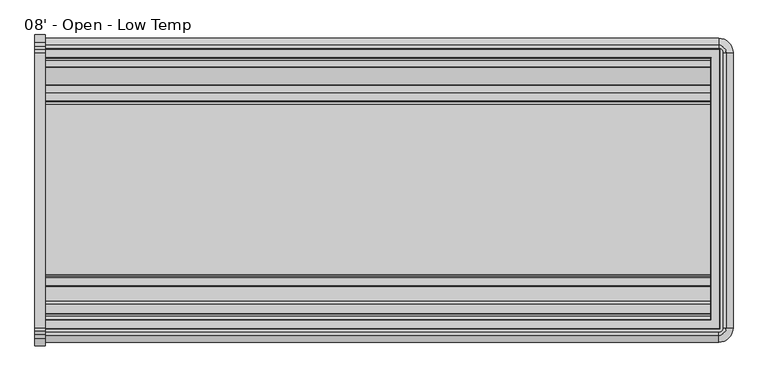
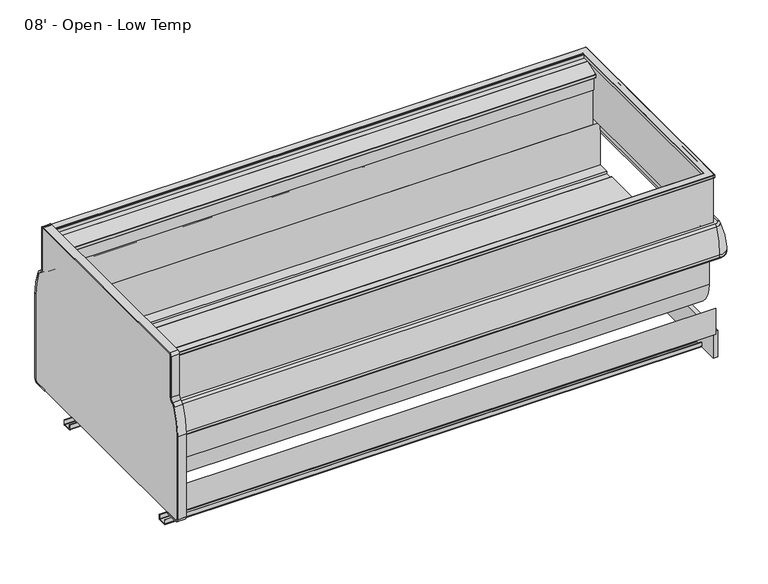
"""IFC4 building model written with IfcOpenShell, lengths in millimetres: proxy geometry, 08' - Open - Low Temp."""

from ifc_helpers import new_model, si_unit, point, frame, frame_2d, origin, place, context, project, spatial, polyline, circle_curve, ellipse_curve, trimmed, segment, composite_curve, outline, extrude, source, transform, mapped, element, save
from ifc_brep_helpers import plane_surface, cylinder_surface, revolved_surface, advanced_brep


def proxy_08_open_low_temp_4ff7e60c(model_context):
    return source(origin(), model_context, "Body", "SolidModel", [
        extrude(outline(composite_curve([segment(trimmed(circle_curve(frame_2d((-706.3089273, 750.8546562)), 311.15), [point((-395.1589273, 750.8546562))], [point((-421.4314087, 875.9910693))], True, "CARTESIAN"), True, "CONTINUOUS"), segment(trimmed(circle_curve(frame_2d((-438.8728894, 868.3296562)), 19.05), [point((-421.4314087, 875.9910693))], [point((-432.2872626, 886.2051148))], True, "CARTESIAN"), True, "CONTINUOUS"), segment(trimmed(circle_curve(frame_2d((-423.5064268, 910.0390596)), 25.4), [point((-432.2872626, 886.2051148))], [point((-448.9064268, 910.0390596))], False, "CARTESIAN"), True, "CONTINUOUS"), segment(polyline([(-448.9064268, 910.0390596), (-448.9064268, 1109.56602)]), True, "CONTINUOUS"), segment(trimmed(circle_curve(frame_2d((-455.2564268, 1109.56602)), 6.35), [point((-448.9064268, 1109.56602))], [point((-455.2564268, 1115.91602))], True, "CARTESIAN"), True, "CONTINUOUS"), segment(polyline([(-455.2564268, 1115.91602), (-1468.5364278, 1115.91602)]), True, "CONTINUOUS"), segment(trimmed(circle_curve(frame_2d((-1468.5364278, 1109.56602)), 6.35), [point((-1468.5364278, 1115.91602))], [point((-1474.8864278, 1109.56602))], True, "CARTESIAN"), True, "CONTINUOUS"), segment(polyline([(-1474.8864278, 1109.56602), (-1474.8864278, 910.0390596)]), True, "CONTINUOUS"), segment(trimmed(circle_curve(frame_2d((-1500.2864278, 910.0390596)), 25.4), [point((-1474.8864278, 910.0390596))], [point((-1491.505592, 886.2051148))], False, "CARTESIAN"), True, "CONTINUOUS"), segment(trimmed(circle_curve(frame_2d((-1484.9199652, 868.3296562)), 19.05), [point((-1491.505592, 886.2051148))], [point((-1502.3614459, 875.9910693))], True, "CARTESIAN"), True, "CONTINUOUS"), segment(trimmed(circle_curve(frame_2d((-1217.4839273, 750.8546562)), 311.15), [point((-1502.3614459, 875.9910693))], [point((-1528.6339273, 750.8546562))], True, "CARTESIAN"), True, "CONTINUOUS"), segment(polyline([(-1528.6339273, 750.8546562), (-1528.6339273, 344.70852)]), True, "CONTINUOUS"), segment(trimmed(circle_curve(frame_2d((-1515.9339273, 344.70852)), 12.7), [point((-1528.6339273, 344.70852))], [point((-1515.9339273, 332.00852))], True, "CARTESIAN"), True, "CONTINUOUS"), segment(polyline([(-1515.9339273, 332.00852), (-1455.9322513, 332.00852), (-1455.9322513, 325.65852), (-1515.9339273, 325.65852)]), True, "CONTINUOUS"), segment(trimmed(circle_curve(frame_2d((-1515.9339273, 344.70852)), 19.05), [point((-1515.9339273, 325.65852))], [point((-1534.9839273, 344.70852))], False, "CARTESIAN"), True, "CONTINUOUS"), segment(polyline([(-1534.9839273, 344.70852), (-1534.9839273, 750.8546562)]), True, "CONTINUOUS"), segment(trimmed(circle_curve(frame_2d((-1217.4839273, 750.8546562)), 317.5), [point((-1534.9839273, 750.8546562))], [point((-1508.1752729, 878.5448736))], False, "CARTESIAN"), True, "CONTINUOUS"), segment(trimmed(circle_curve(frame_2d((-1484.9199652, 868.3296562)), 25.4), [point((-1508.1752729, 878.5448736))], [point((-1493.700801, 892.163601))], False, "CARTESIAN"), True, "CONTINUOUS"), segment(trimmed(circle_curve(frame_2d((-1500.2864278, 910.0390596)), 19.05), [point((-1493.700801, 892.163601))], [point((-1481.2364278, 910.0390596))], True, "CARTESIAN"), True, "CONTINUOUS"), segment(polyline([(-1481.2364278, 910.0390596), (-1481.2364278, 1109.56602)]), True, "CONTINUOUS"), segment(trimmed(circle_curve(frame_2d((-1468.5364278, 1109.56602)), 12.7), [point((-1481.2364278, 1109.56602))], [point((-1468.5364278, 1122.26602))], False, "CARTESIAN"), True, "CONTINUOUS"), segment(polyline([(-1468.5364278, 1122.26602), (-455.2564268, 1122.26602)]), True, "CONTINUOUS"), segment(trimmed(circle_curve(frame_2d((-455.2564268, 1109.56602)), 12.7), [point((-455.2564268, 1122.26602))], [point((-442.5564268, 1109.56602))], False, "CARTESIAN"), True, "CONTINUOUS"), segment(polyline([(-442.5564268, 1109.56602), (-442.5564268, 910.0390596)]), True, "CONTINUOUS"), segment(trimmed(circle_curve(frame_2d((-423.5064268, 910.0390596)), 19.05), [point((-442.5564268, 910.0390596))], [point((-430.0920536, 892.163601))], True, "CARTESIAN"), True, "CONTINUOUS"), segment(trimmed(circle_curve(frame_2d((-438.8728894, 868.3296562)), 25.4), [point((-430.0920536, 892.163601))], [point((-415.6175817, 878.5448736))], False, "CARTESIAN"), True, "CONTINUOUS"), segment(trimmed(circle_curve(frame_2d((-706.3089273, 750.8546562)), 317.5), [point((-415.6175817, 878.5448736))], [point((-388.8089273, 750.8546562))], False, "CARTESIAN"), True, "CONTINUOUS"), segment(polyline([(-388.8089273, 750.8546562), (-388.8089273, 344.70852)]), True, "CONTINUOUS"), segment(trimmed(circle_curve(frame_2d((-407.8589273, 344.70852)), 19.05), [point((-388.8089273, 344.70852))], [point((-407.8589273, 325.65852))], False, "CARTESIAN"), True, "CONTINUOUS"), segment(polyline([(-407.8589273, 325.65852), (-466.0942513, 325.65852), (-466.0942513, 332.00852), (-407.8589273, 332.00852)]), True, "CONTINUOUS"), segment(trimmed(circle_curve(frame_2d((-407.8589273, 344.70852)), 12.7), [point((-407.8589273, 332.00852))], [point((-395.1589273, 344.70852))], True, "CARTESIAN"), True, "CONTINUOUS"), segment(polyline([(-395.1589273, 344.70852), (-395.1589273, 750.8546562)]), True, "CONTINUOUS")], self_intersect=False)), frame((-38.1, 0.0, 0.0), z_axis=(1.0, 0.0, 0.0), x_axis=(0.0, 1.0, 0.0)), (0.0, 0.0, 1.0), 38.1),
        extrude(outline(composite_curve([segment(polyline([(-395.1589273, 750.8546562), (-395.1589273, 344.70852)]), True, "CONTINUOUS"), segment(trimmed(circle_curve(frame_2d((-407.8589273, 344.70852)), 12.7), [point((-395.1589273, 344.70852))], [point((-407.8589273, 332.00852))], False, "CARTESIAN"), True, "CONTINUOUS"), segment(polyline([(-407.8589273, 332.00852), (-1515.9339273, 332.00852)]), True, "CONTINUOUS"), segment(trimmed(circle_curve(frame_2d((-1515.9339273, 344.70852)), 12.7), [point((-1515.9339273, 332.00852))], [point((-1528.6339273, 344.70852))], False, "CARTESIAN"), True, "CONTINUOUS"), segment(polyline([(-1528.6339273, 344.70852), (-1528.6339273, 750.8546562)]), True, "CONTINUOUS"), segment(trimmed(circle_curve(frame_2d((-1217.4839273, 750.8546562)), 311.15), [point((-1528.6339273, 750.8546562))], [point((-1502.3614459, 875.9910693))], False, "CARTESIAN"), True, "CONTINUOUS"), segment(trimmed(circle_curve(frame_2d((-1484.9199652, 868.3296562)), 19.05), [point((-1502.3614459, 875.9910693))], [point((-1491.505592, 886.2051148))], False, "CARTESIAN"), True, "CONTINUOUS"), segment(trimmed(circle_curve(frame_2d((-1500.2864278, 910.0390596)), 25.4), [point((-1491.505592, 886.2051148))], [point((-1474.8864278, 910.0390596))], True, "CARTESIAN"), True, "CONTINUOUS"), segment(polyline([(-1474.8864278, 910.0390596), (-1474.8864278, 1109.56602)]), True, "CONTINUOUS"), segment(trimmed(circle_curve(frame_2d((-1468.5364278, 1109.56602)), 6.35), [point((-1474.8864278, 1109.56602))], [point((-1468.5364278, 1115.91602))], False, "CARTESIAN"), True, "CONTINUOUS"), segment(polyline([(-1468.5364278, 1115.91602), (-455.2564268, 1115.91602)]), True, "CONTINUOUS"), segment(trimmed(circle_curve(frame_2d((-455.2564268, 1109.56602)), 6.35), [point((-455.2564268, 1115.91602))], [point((-448.9064268, 1109.56602))], False, "CARTESIAN"), True, "CONTINUOUS"), segment(polyline([(-448.9064268, 1109.56602), (-448.9064268, 910.0390596)]), True, "CONTINUOUS"), segment(trimmed(circle_curve(frame_2d((-423.5064268, 910.0390596)), 25.4), [point((-448.9064268, 910.0390596))], [point((-432.2872626, 886.2051148))], True, "CARTESIAN"), True, "CONTINUOUS"), segment(trimmed(circle_curve(frame_2d((-438.8728894, 868.3296562)), 19.05), [point((-432.2872626, 886.2051148))], [point((-421.4314087, 875.9910693))], False, "CARTESIAN"), True, "CONTINUOUS"), segment(trimmed(circle_curve(frame_2d((-706.3089273, 750.8546562)), 311.15), [point((-421.4314087, 875.9910693))], [point((-395.1589273, 750.8546562))], False, "CARTESIAN"), True, "CONTINUOUS")], self_intersect=False)), frame((-38.1, 0.0, 0.0), z_axis=(1.0, 0.0, 0.0), x_axis=(0.0, 1.0, 0.0)), (0.0, 0.0, 1.0), 38.1),
        extrude(outline(polyline([(2507.449374, -466.0942513), (2507.449374, -1455.9322513), (2487.3148438, -1455.9322513), (2487.3148438, -466.0942513), (2507.449374, -466.0942513)])), frame((0.0, 0.0, 202.18277), z_axis=(0.0, 0.0, 1.0), x_axis=(1.0, 0.0, 0.0)), (0.0, 0.0, 1.0), 129.82575),
        extrude(outline(composite_curve([segment(trimmed(circle_curve(frame_2d((-631.6006513, 595.49542)), 6.35), [point((-637.6294873, 593.50152))], [point((-631.6006513, 589.14542))], True, "CARTESIAN"), True, "CONTINUOUS"), segment(polyline([(-631.6006513, 589.14542), (-603.0256513, 589.14542), (-603.0256513, 586.78322), (-1312.6508513, 586.78322), (-1312.6508513, 589.14542), (-1284.0758513, 589.14542)]), True, "CONTINUOUS"), segment(trimmed(circle_curve(frame_2d((-1284.0758513, 595.49542)), 6.35), [point((-1284.0758513, 589.14542))], [point((-1278.0470154, 593.50152))], True, "CARTESIAN"), True, "CONTINUOUS"), segment(trimmed(circle_curve(frame_2d((-1272.0181794, 591.50762)), 6.35), [point((-1278.0470154, 593.50152))], [point((-1272.0181794, 597.85762))], False, "CARTESIAN"), True, "CONTINUOUS"), segment(polyline([(-1272.0181794, 597.85762), (-643.6583232, 597.85762)]), True, "CONTINUOUS"), segment(trimmed(circle_curve(frame_2d((-643.6583232, 591.50762)), 6.35), [point((-643.6583232, 597.85762))], [point((-637.6294873, 593.50152))], False, "CARTESIAN"), True, "CONTINUOUS")], self_intersect=False)), frame((0.0, 0.0, 0.0), z_axis=(1.0, 0.0, 0.0), x_axis=(0.0, 1.0, 0.0)), (0.0, 0.0, 1.0), 2487.3148438),
        extrude(outline(polyline([(-1323.1509772, 332.00852), (-1475.9703113, 332.00852), (-1475.9703113, 460.2391669), (-1323.1509772, 332.00852)])), frame((0.0, 0.0, 0.0), z_axis=(1.0, 0.0, 0.0), x_axis=(0.0, 1.0, 0.0)), (0.0, 0.0, 1.0), 2487.3148438),
        extrude(outline(composite_curve([segment(polyline([(-1320.1946513, 227.08747), (-1320.1946513, 207.33897)]), True, "CONTINUOUS"), segment(trimmed(circle_curve(frame_2d((-1325.3508513, 207.33897)), 5.1562), [point((-1320.1946513, 207.33897))], [point((-1325.3508513, 202.18277))], False, "CARTESIAN"), True, "CONTINUOUS"), segment(polyline([(-1325.3508513, 202.18277), (-1360.5361197, 202.18277)]), True, "CONTINUOUS"), segment(trimmed(circle_curve(frame_2d((-1360.5361197, 207.33897)), 5.1562), [point((-1360.5361197, 202.18277))], [point((-1365.6923197, 207.33897))], False, "CARTESIAN"), True, "CONTINUOUS"), segment(polyline([(-1365.6923197, 207.33897), (-1365.6923197, 227.07477), (-1362.6507513, 227.07477), (-1362.6507513, 207.33897)]), True, "CONTINUOUS"), segment(trimmed(circle_curve(frame_2d((-1360.2631513, 207.33897)), 2.3876), [point((-1362.6507513, 207.33897))], [point((-1360.2631513, 204.95137))], True, "CARTESIAN"), True, "CONTINUOUS"), segment(polyline([(-1360.2631513, 204.95137), (-1325.3508513, 204.95137)]), True, "CONTINUOUS"), segment(trimmed(circle_curve(frame_2d((-1325.3508513, 207.33897)), 2.3876), [point((-1325.3508513, 204.95137))], [point((-1322.9632513, 207.33897))], True, "CARTESIAN"), True, "CONTINUOUS"), segment(polyline([(-1322.9632513, 207.33897), (-1322.9632513, 227.08747), (-1320.1946513, 227.08747)]), True, "CONTINUOUS")], self_intersect=False)), frame((0.0, 0.0, 0.0), z_axis=(1.0, 0.0, 0.0), x_axis=(0.0, 1.0, 0.0)), (0.0, 0.0, 1.0), 2487.3148438),
        extrude(outline(composite_curve([segment(polyline([(-601.8318513, 227.08747), (-599.0632513, 227.08747), (-599.0632513, 207.33897)]), True, "CONTINUOUS"), segment(trimmed(circle_curve(frame_2d((-596.6756513, 207.33897)), 2.3876), [point((-599.0632513, 207.33897))], [point((-596.6756513, 204.95137))], True, "CARTESIAN"), True, "CONTINUOUS"), segment(polyline([(-596.6756513, 204.95137), (-561.7633513, 204.95137)]), True, "CONTINUOUS"), segment(trimmed(circle_curve(frame_2d((-561.7633513, 207.33897)), 2.3876), [point((-561.7633513, 204.95137))], [point((-559.3757513, 207.33897))], True, "CARTESIAN"), True, "CONTINUOUS"), segment(polyline([(-559.3757513, 207.33897), (-559.3757513, 227.07477), (-556.6071513, 227.07477), (-556.6071513, 207.33897)]), True, "CONTINUOUS"), segment(trimmed(circle_curve(frame_2d((-561.7633513, 207.33897)), 5.1562), [point((-556.6071513, 207.33897))], [point((-561.7633513, 202.18277))], False, "CARTESIAN"), True, "CONTINUOUS"), segment(polyline([(-561.7633513, 202.18277), (-596.6756513, 202.18277)]), True, "CONTINUOUS"), segment(trimmed(circle_curve(frame_2d((-596.6756513, 207.33897)), 5.1562), [point((-596.6756513, 202.18277))], [point((-601.8318513, 207.33897))], False, "CARTESIAN"), True, "CONTINUOUS"), segment(polyline([(-601.8318513, 207.33897), (-601.8318513, 227.08747)]), True, "CONTINUOUS")], self_intersect=False)), frame((0.0, 0.0, 0.0), z_axis=(1.0, 0.0, 0.0), x_axis=(0.0, 1.0, 0.0)), (0.0, 0.0, 1.0), 2487.3148438),
        extrude(outline(polyline([(2452.8859375, -535.8055412), (2452.8859375, -559.6180412), (0.0, -559.6180412), (0.0, -535.8055412), (2452.8859375, -535.8055412)])), frame((0.0, 0.0, 986.69352), z_axis=(0.0, 0.0, 1.0), x_axis=(1.0, 0.0, 0.0)), (0.0, 0.0, 1.0), 76.2),
        extrude(outline(composite_curve([segment(polyline([(-559.6180412, 1062.89352), (-559.6180412, 1051.0452374), (-571.7875237, 1051.0452374)]), True, "CONTINUOUS"), segment(trimmed(circle_curve(frame_2d((-571.7875237, 1053.3566374)), 2.3114), [point((-571.7875237, 1051.0452374))], [point((-574.0989237, 1053.3566374))], False, "CARTESIAN"), True, "CONTINUOUS"), segment(polyline([(-574.0989237, 1053.3566374), (-574.0989237, 1067.7909777)]), True, "CONTINUOUS"), segment(trimmed(circle_curve(frame_2d((-571.7875237, 1067.7909777)), 2.3114), [point((-574.0989237, 1067.7909777))], [point((-572.578069, 1069.9629832))], False, "CARTESIAN"), True, "CONTINUOUS"), segment(polyline([(-572.578069, 1069.9629832), (-507.7688069, 1093.5516255)]), True, "CONTINUOUS"), segment(trimmed(circle_curve(frame_2d((-506.9782615, 1091.37962)), 2.3114), [point((-507.7688069, 1093.5516255))], [point((-506.9782615, 1093.69102))], False, "CARTESIAN"), True, "CONTINUOUS"), segment(polyline([(-506.9782615, 1093.69102), (-482.2433533, 1093.69102), (-482.2433533, 840.41492), (-498.2829273, 840.41492), (-498.2829273, 808.60777), (-549.0765773, 808.60777), (-549.0765773, 986.69352), (-535.8055412, 986.69352), (-535.8055412, 1062.89352), (-559.6180412, 1062.89352)]), True, "CONTINUOUS")], self_intersect=False)), frame((0.0, 0.0, 0.0), z_axis=(1.0, 0.0, 0.0), x_axis=(0.0, 1.0, 0.0)), (0.0, 0.0, 1.0), 2452.8859375),
        extrude(outline(composite_curve([segment(trimmed(circle_curve(frame_2d((-1417.1508503, 841.4633151)), 1.0483951), [point((-1417.1508503, 840.41492))], [point((-1418.1992454, 841.4633151))], False, "CARTESIAN"), True, "CONTINUOUS"), segment(polyline([(-1418.1992454, 841.4633151), (-1418.1992454, 861.3823037)]), True, "CONTINUOUS"), segment(trimmed(circle_curve(frame_2d((-1416.8146291, 861.3823037)), 1.3846163), [point((-1418.1992454, 861.3823037))], [point((-1416.8146291, 862.76692))], False, "CARTESIAN"), True, "CONTINUOUS"), segment(polyline([(-1416.8146291, 862.76692), (-1380.8816013, 862.76692), (-1380.8816013, 840.41492), (-1417.1508503, 840.41492)]), True, "CONTINUOUS")], self_intersect=False)), frame((0.0, 0.0, 0.0), z_axis=(1.0, 0.0, 0.0), x_axis=(0.0, 1.0, 0.0)), (0.0, 0.0, 1.0), 2452.8859375),
        extrude(outline(polyline([(2452.8859375, -1371.3566013), (2452.8859375, -1380.8816013), (0.0, -1380.8816013), (0.0, -1371.3566013), (2452.8859375, -1371.3566013)])), frame((0.0, 0.0, 830.58512), z_axis=(0.0, 0.0, 1.0), x_axis=(1.0, 0.0, 0.0)), (0.0, 0.0, 1.0), 156.1084),
        extrude(outline(composite_curve([segment(polyline([(-498.2829273, 808.60777), (-498.2829273, 567.7232408)]), True, "CONTINUOUS"), segment(trimmed(circle_curve(frame_2d((-650.6829273, 567.7232408)), 152.4), [point((-498.2829273, 567.7232408))], [point((-645.364244, 415.4160788))], False, "CARTESIAN"), True, "CONTINUOUS"), segment(polyline([(-645.364244, 415.4160788), (-1266.4759331, 393.268902)]), True, "CONTINUOUS"), segment(trimmed(circle_curve(frame_2d((-1271.9033854, 545.4803582)), 152.3081897), [point((-1266.4759331, 393.268902))], [point((-1424.2105725, 546.0329855))], False, "CARTESIAN"), True, "CONTINUOUS"), segment(polyline([(-1424.2105725, 546.0329855), (-1424.2105725, 840.41492), (-1380.8816013, 840.41492), (-1380.8816013, 830.58512), (-1371.3566013, 830.58512), (-1371.3566013, 599.8346341), (-1319.1220273, 599.8346341), (-1319.1220273, 582.1562341), (-602.2578273, 582.1562341), (-602.2578273, 599.34352), (-549.0765773, 599.34352), (-549.0765773, 808.60777), (-498.2829273, 808.60777)]), True, "CONTINUOUS")], self_intersect=False)), frame((0.0, 0.0, 0.0), z_axis=(1.0, 0.0, 0.0), x_axis=(0.0, 1.0, 0.0)), (0.0, 0.0, 1.0), 2487.3148438),
        advanced_brep(
        [(0.0, -1468.5687513, 1099.2231802), (0.0, -1469.9408252, 1096.6426846), (0.0, -1472.8095089, 1097.3049725), (0.0, -1473.2477185, 1109.8536533), (0.0, -1470.9377266, 1112.24572), (0.0, -1441.7098388, 1112.24572), (0.0, -1439.3984388, 1109.93432), (0.0, -1439.3984388, 1097.94552), (0.0, -1441.5812513, 1097.94552), (0.0, -1441.5812513, 1108.82942), (0.0, -1468.5687513, 1108.82942), (0.0, -446.0758361, 1099.2231802), (0.0, -446.0758361, 1108.82942), (0.0, -473.0633361, 1108.82942), (0.0, -473.0633361, 1097.94552), (0.0, -475.2461486, 1097.94552), (0.0, -475.2461486, 1109.93432), (0.0, -472.9347486, 1112.24572), (0.0, -443.7068608, 1112.24572), (0.0, -441.3968689, 1109.8536533), (0.0, -441.8350785, 1097.3049725), (0.0, -444.7037622, 1096.6426846), (2479.934824, -446.0758361, 1099.2231802), (2479.934824, -446.0758361, 1108.82942), (2479.934824, -1468.5687513, 1108.82942), (2452.947324, -1441.5812513, 1108.82942), (2452.947324, -473.0633361, 1108.82942), (2452.947324, -473.0633361, 1097.94552), (2452.947324, -1441.5812513, 1097.94552), (2450.7645115, -1439.3984388, 1097.94552), (2450.7645115, -475.2461486, 1097.94552), (2450.7645115, -475.2461486, 1109.93432), (2453.0759115, -472.9347486, 1112.24572), (2453.0759115, -1441.7098388, 1112.24572), (2482.3037993, -1470.9377266, 1112.24572), (2482.3037993, -443.7068608, 1112.24572), (2484.6137912, -441.3968689, 1109.8536533), (2484.1755816, -441.8350785, 1097.3049725), (2481.3068979, -444.7037622, 1096.6426846), (2479.934824, -1468.5687513, 1099.2231802), (2450.7645115, -1439.3984388, 1109.93432), (2484.6137912, -1473.2477185, 1109.8536533), (2484.1755816, -1472.8095089, 1097.3049725), (2481.3068979, -1469.9408252, 1096.6426846)],
        [
            (0, 1),
            (1, 2, circle_curve(frame((0.0, -1471.2864373, 1097.3581593), z_axis=(-1.0, 0.0, 0.0), x_axis=(0.0, -1.0, 0.0)), 1.524)),
            (2, 3),
            (3, 4, circle_curve(frame((0.0, -1470.9377266, 1109.93432), z_axis=(-1.0, 0.0, 0.0), x_axis=(0.0, -1.0, 0.0)), 2.3114)),
            (4, 5),
            (5, 6, circle_curve(frame((0.0, -1441.7098388, 1109.93432), z_axis=(-1.0, 0.0, 0.0), x_axis=(0.0, -1.0, 0.0)), 2.3114)),
            (6, 7),
            (7, 8),
            (8, 9),
            (9, 10),
            (10, 0),
            (11, 12),
            (12, 13),
            (13, 14),
            (14, 15),
            (15, 16),
            (16, 17, circle_curve(frame((0.0, -472.9347486, 1109.93432), z_axis=(-1.0, 0.0, 0.0), x_axis=(0.0, 1.0, 0.0)), 2.3114)),
            (17, 18),
            (18, 19, circle_curve(frame((0.0, -443.7068608, 1109.93432), z_axis=(-1.0, 0.0, 0.0), x_axis=(0.0, 1.0, 0.0)), 2.3114)),
            (19, 20),
            (20, 21, circle_curve(frame((0.0, -443.3581501, 1097.3581593), z_axis=(-1.0, 0.0, 0.0), x_axis=(0.0, 1.0, 0.0)), 1.524)),
            (21, 11),
            (11, 22),
            (22, 23),
            (23, 12),
            (23, 24),
            (24, 10),
            (9, 25),
            (25, 26),
            (26, 13),
            (26, 27),
            (27, 14),
            (27, 28),
            (28, 8),
            (7, 29),
            (29, 30),
            (30, 15),
            (30, 31),
            (31, 16),
            (31, 32, ellipse_curve(frame((2453.0759115, -472.9347486, 1109.93432), z_axis=(-0.7071067811865475, 0.7071067811865475, 0.0), x_axis=(-0.7071067811865476, -0.7071067811865474, 0.0)), 3.2688132, 2.3114)),
            (32, 17),
            (32, 33),
            (33, 5),
            (4, 34),
            (34, 35),
            (35, 18),
            (35, 36, ellipse_curve(frame((2482.3037993, -443.7068608, 1109.93432), z_axis=(-0.7071067811865475, 0.7071067811865475, 0.0), x_axis=(-0.7071067811865476, -0.7071067811865474, 0.0)), 3.2688132, 2.3114)),
            (36, 19),
            (36, 37),
            (37, 20),
            (37, 38, ellipse_curve(frame((2482.65251, -443.3581501, 1097.3581593), z_axis=(-0.7071067811865475, 0.7071067811865475, 0.0), x_axis=(-0.7071067811865476, -0.7071067811865474, 0.0)), 2.1552615, 1.524)),
            (38, 21),
            (38, 22),
            (22, 39),
            (39, 24),
            (25, 28),
            (29, 40),
            (40, 31),
            (40, 33, ellipse_curve(frame((2453.0759115, -1441.7098388, 1109.93432), z_axis=(0.7071067811865475, 0.7071067811865475, 0.0), x_axis=(-0.7071067811865474, 0.7071067811865476, 0.0)), 3.2688132, 2.3114)),
            (34, 41, ellipse_curve(frame((2482.3037993, -1470.9377266, 1109.93432), z_axis=(0.7071067811865475, 0.7071067811865475, 0.0), x_axis=(-0.7071067811865474, 0.7071067811865476, 0.0)), 3.2688132, 2.3114)),
            (41, 36),
            (41, 42),
            (42, 37),
            (42, 43, ellipse_curve(frame((2482.65251, -1471.2864373, 1097.3581593), z_axis=(0.7071067811865475, 0.7071067811865475, 0.0), x_axis=(-0.7071067811865474, 0.7071067811865476, 0.0)), 2.1552615, 1.524)),
            (43, 38),
            (43, 39),
            (39, 0),
            (6, 40),
            (3, 41),
            (2, 42),
            (1, 43),
        ],
        [
            plane_surface(frame((0.0, -1522.2839273, 844.55), z_axis=(-1.0, 0.0, 0.0), x_axis=(0.0, 0.0, 1.0))),
            plane_surface(frame((0.0, -392.3606601, 844.55), z_axis=(-1.0, 0.0, 0.0), x_axis=(0.0, 0.0, 1.0))),
            plane_surface(frame((0.0, -446.0758361, 1099.2231802), z_axis=(0.0, -1.0, 0.0), x_axis=(1.0, 0.0, 0.0))),
            plane_surface(frame((0.0, -446.0758361, 1108.82942), z_axis=(0.0, 0.0, -1.0), x_axis=(1.0, 0.0, 0.0))),
            plane_surface(frame((0.0, -473.0633361, 1108.82942), z_axis=(0.0, 1.0, 0.0), x_axis=(1.0, 0.0, 0.0))),
            plane_surface(frame((0.0, -473.0633361, 1097.94552), z_axis=(0.0, 0.0, -1.0), x_axis=(1.0, 0.0, 0.0))),
            plane_surface(frame((0.0, -475.2461486, 1097.94552), z_axis=(0.0, -1.0, 0.0), x_axis=(1.0, 0.0, 0.0))),
            cylinder_surface(frame((0.0, -472.9347486, 1109.93432), z_axis=(-1.0, 0.0, 0.0), x_axis=(0.0, 1.0, 0.0)), 2.3114),
            plane_surface(frame((0.0, -472.9347486, 1112.24572), z_axis=(0.0, 0.0, 1.0), x_axis=(1.0, 0.0, 0.0))),
            cylinder_surface(frame((0.0, -443.7068608, 1109.93432), z_axis=(-1.0, 0.0, 0.0), x_axis=(0.0, 1.0, 0.0)), 2.3114),
            plane_surface(frame((0.0, -441.3968689, 1109.8536533), z_axis=(0.0, 0.9993908270194976, -0.03489949669099775), x_axis=(1.0, 0.0, 0.0))),
            cylinder_surface(frame((0.0, -443.3581501, 1097.3581593), z_axis=(-1.0, 0.0, 0.0), x_axis=(0.0, 1.0, 0.0)), 1.524),
            plane_surface(frame((0.0, -444.7037622, 1096.6426846), z_axis=(0.0, -0.8829475928207327, -0.469471562857724), x_axis=(1.0, 0.0, 0.0))),
            plane_surface(frame((2479.934824, -446.0758361, 1099.2231802), z_axis=(-1.0, 0.0, 0.0), x_axis=(0.0, -1.0, 0.0))),
            plane_surface(frame((2452.947324, -473.0633361, 1108.82942), z_axis=(1.0, 0.0, 0.0), x_axis=(0.0, -1.0, 0.0))),
            plane_surface(frame((2450.7645115, -475.2461486, 1097.94552), z_axis=(-1.0, 0.0, 0.0), x_axis=(0.0, -1.0, 0.0))),
            cylinder_surface(frame((2453.0759115, -392.3606601, 1109.93432), z_axis=(0.0, 1.0, 0.0), x_axis=(1.0, 0.0, 0.0)), 2.3114),
            cylinder_surface(frame((2482.3037993, -392.3606601, 1109.93432), z_axis=(0.0, 1.0, 0.0), x_axis=(1.0, 0.0, 0.0)), 2.3114),
            plane_surface(frame((2484.6137912, -441.3968689, 1109.8536533), z_axis=(0.9993908270194976, 0.0, -0.03489949669099775), x_axis=(0.0, -1.0, 0.0))),
            cylinder_surface(frame((2482.65251, -392.3606601, 1097.3581593), z_axis=(0.0, 1.0, 0.0), x_axis=(1.0, 0.0, 0.0)), 1.524),
            plane_surface(frame((2481.3068979, -444.7037622, 1096.6426846), z_axis=(-0.8829475928207327, 0.0, -0.469471562857724), x_axis=(0.0, -1.0, 0.0))),
            plane_surface(frame((2479.934824, -1468.5687513, 1099.2231802), z_axis=(0.0, 1.0, 0.0), x_axis=(-1.0, 0.0, 0.0))),
            plane_surface(frame((2452.947324, -1441.5812513, 1108.82942), z_axis=(0.0, -1.0, 0.0), x_axis=(-1.0, 0.0, 0.0))),
            plane_surface(frame((2450.7645115, -1439.3984388, 1097.94552), z_axis=(0.0, 1.0, 0.0), x_axis=(-1.0, 0.0, 0.0))),
            cylinder_surface(frame((2533.65, -1441.7098388, 1109.93432), z_axis=(1.0, 0.0, 0.0), x_axis=(0.0, -1.0, 0.0)), 2.3114),
            cylinder_surface(frame((2533.65, -1470.9377266, 1109.93432), z_axis=(1.0, 0.0, 0.0), x_axis=(0.0, -1.0, 0.0)), 2.3114),
            plane_surface(frame((2484.6137912, -1473.2477185, 1109.8536533), z_axis=(0.0, -0.9993908270194976, -0.03489949669099775), x_axis=(-1.0, 0.0, 0.0))),
            cylinder_surface(frame((2533.65, -1471.2864373, 1097.3581593), z_axis=(1.0, 0.0, 0.0), x_axis=(0.0, -1.0, 0.0)), 1.524),
            plane_surface(frame((2481.3068979, -1469.9408252, 1096.6426846), z_axis=(0.0, 0.8829475928207327, -0.469471562857724), x_axis=(-1.0, 0.0, 0.0))),
        ],
        [
            (0, [[1, 2, 3, 4, 5, 6, 7, 8, 9, 10, 11]]),
            (1, [[12, 13, 14, 15, 16, 17, 18, 19, 20, 21, 22]]),
            (2, [[-12, 23, 24, 25]]),
            (3, [[-13, -25, 26, 27, -10, 28, 29, 30]]),
            (4, [[-14, -30, 31, 32]]),
            (5, [[-15, -32, 33, 34, -8, 35, 36, 37]]),
            (6, [[-16, -37, 38, 39]]),
            (7, [[-17, -39, 40, 41]]),
            (8, [[-18, -41, 42, 43, -5, 44, 45, 46]]),
            (9, [[-19, -46, 47, 48]]),
            (10, [[-20, -48, 49, 50]]),
            (11, [[-21, -50, 51, 52]]),
            (12, [[-22, -52, 53, -23]]),
            (13, [[-24, 54, 55, -26]]),
            (14, [[-31, -29, 56, -33]]),
            (15, [[-38, -36, 57, 58]]),
            (16, [[-40, -58, 59, -42]]),
            (17, [[-47, -45, 60, 61]]),
            (18, [[-49, -61, 62, 63]]),
            (19, [[-51, -63, 64, 65]]),
            (20, [[-53, -65, 66, -54]]),
            (21, [[-55, 67, -11, -27]]),
            (22, [[-56, -28, -9, -34]]),
            (23, [[-57, -35, -7, 68]]),
            (24, [[-59, -68, -6, -43]]),
            (25, [[-60, -44, -4, 69]]),
            (26, [[-62, -69, -3, 70]]),
            (27, [[-64, -70, -2, 71]]),
            (28, [[-66, -71, -1, -67]]),
        ],
    ),
        extrude(outline(polyline([(0.0, -482.2433533), (0.0, -455.2564268), (2479.9025005, -455.2564268), (2479.9025005, -1468.5364278), (0.0, -1468.5364278), (0.0, -1441.5495013), (2452.915574, -1441.5495013), (2452.915574, -482.2433533), (0.0, -482.2433533)])), frame((0.0, 0.0, 840.41492), z_axis=(0.0, 0.0, 1.0), x_axis=(1.0, 0.0, 0.0)), (0.0, 0.0, 1.0), 268.4145),
        advanced_brep(
        [(0.0, -438.8728894, 881.0296562), (0.0, -452.8208821, 881.0296562), (2480.31, -452.8208821, 881.0296562), (2482.3380452, -454.8489273, 881.0296562), (2482.3380452, -1468.9439273, 881.0296562), (2480.31, -1470.9719725, 881.0296562), (0.0, -1470.9719725, 881.0296562), (0.0, -1484.9199652, 881.0296562), (2480.31, -1484.9199652, 881.0296562), (2496.2860379, -1468.9439273, 881.0296562), (2496.2860379, -454.8489273, 881.0296562), (2480.31, -438.8728894, 881.0296562), (0.0, -427.2452356, 873.4372649), (2480.31, -427.2452356, 873.4372649), (0.0, -401.5089273, 750.8546562), (2480.31, -401.5089273, 750.8546562), (0.0, -401.5089273, 739.0203101), (2480.31, -401.5089273, 739.0203101), (0.0, -405.6318205, 733.6472511), (2480.31, -405.6318205, 733.6472511), (0.0, -412.7928603, 731.7284562), (2480.31, -412.7928603, 731.7284562), (0.0, -427.7095533, 731.7284562), (2522.366067, -454.8489273, 731.7284562), (2522.366067, -1468.9439273, 731.7284562), (2480.31, -1510.9999943, 731.7284562), (0.0, -1510.9999943, 731.7284562), (0.0, -1496.0833013, 731.7284562), (2480.31, -1496.0833013, 731.7284562), (2507.449374, -1468.9439273, 731.7284562), (2507.449374, -454.8489273, 731.7284562), (2480.31, -427.7095533, 731.7284562), (2507.9136917, -454.8489273, 873.4372649), (2533.65, -454.8489273, 750.8546562), (2533.65, -454.8489273, 739.0203101), (2529.5271068, -454.8489273, 733.6472511), (2507.9136917, -1468.9439273, 873.4372649), (2533.65, -1468.9439273, 750.8546562), (2533.65, -1468.9439273, 739.0203101), (2529.5271068, -1468.9439273, 733.6472511), (2480.31, -1496.547619, 873.4372649), (2480.31, -1522.2839273, 750.8546562), (2480.31, -1522.2839273, 739.0203101), (2480.31, -1518.1610341, 733.6472511), (0.0, -1470.9719725, 840.41492), (0.0, -1475.9703113, 840.41492), (0.0, -1475.9703113, 773.39702), (0.0, -1496.0833013, 773.39702), (0.0, -1518.1610341, 733.6472511), (0.0, -1522.2839273, 739.0203101), (0.0, -1522.2839273, 750.8546562), (0.0, -1496.547619, 873.4372649), (0.0, -427.7095533, 773.39702), (0.0, -447.8225433, 773.39702), (0.0, -447.8225433, 840.41492), (0.0, -452.8208821, 840.41492), (2480.31, -427.7095533, 773.39702), (2507.449374, -454.8489273, 773.39702), (2507.449374, -1468.9439273, 773.39702), (2480.31, -1496.0833013, 773.39702), (2480.31, -1475.9703113, 773.39702), (2487.336384, -1468.9439273, 773.39702), (2487.336384, -454.8489273, 773.39702), (2480.31, -447.8225433, 773.39702), (2480.31, -447.8225433, 840.41492), (2487.336384, -454.8489273, 840.41492), (2487.336384, -1468.9439273, 840.41492), (2480.31, -1475.9703113, 840.41492), (2480.31, -1470.9719725, 840.41492), (2482.3380452, -1468.9439273, 840.41492), (2482.3380452, -454.8489273, 840.41492), (2480.31, -452.8208821, 840.41492)],
        [
            (0, 1),
            (1, 2),
            (2, 3, circle_curve(frame((2480.31, -454.8489273, 881.0296562), z_axis=(0.0, 0.0, -1.0), x_axis=(0.0, 1.0, 0.0)), 2.0280452)),
            (3, 4),
            (4, 5, circle_curve(frame((2480.31, -1468.9439273, 881.0296562), z_axis=(0.0, 0.0, -1.0), x_axis=(1.0, 0.0, 0.0)), 2.0280452)),
            (5, 6),
            (6, 7),
            (7, 8),
            (8, 9, circle_curve(frame((2480.31, -1468.9439273, 881.0296562), z_axis=(0.0, 0.0, 1.0), x_axis=(1.0, 0.0, 0.0)), 15.9760379)),
            (9, 10),
            (10, 11, circle_curve(frame((2480.31, -454.8489273, 881.0296562), z_axis=(0.0, 0.0, 1.0), x_axis=(0.0, 1.0, 0.0)), 15.9760379)),
            (11, 0),
            (12, 0, circle_curve(frame((0.0, -438.8728894, 868.3296562), z_axis=(1.0, 0.0, 0.0), x_axis=(0.0, 1.0, 0.0)), 12.7)),
            (11, 13, circle_curve(frame((2480.31, -438.8728894, 868.3296562), z_axis=(-1.0, 0.0, 0.0), x_axis=(0.0, 1.0, 0.0)), 12.7)),
            (13, 12),
            (14, 12, circle_curve(frame((0.0, -706.3089273, 750.8546562), z_axis=(1.0, 0.0, 0.0), x_axis=(0.0, 1.0, 0.0)), 304.8)),
            (13, 15, circle_curve(frame((2480.31, -706.3089273, 750.8546562), z_axis=(-1.0, 0.0, 0.0), x_axis=(0.0, 1.0, 0.0)), 304.8)),
            (15, 14),
            (16, 14),
            (15, 17),
            (17, 16),
            (18, 16, circle_curve(frame((0.0, -407.0715273, 739.0203101), z_axis=(1.0, 0.0, 0.0), x_axis=(0.0, 1.0, 0.0)), 5.5626)),
            (17, 19, circle_curve(frame((2480.31, -407.0715273, 739.0203101), z_axis=(-1.0, 0.0, 0.0), x_axis=(0.0, 1.0, 0.0)), 5.5626)),
            (19, 18),
            (20, 18),
            (19, 21),
            (21, 20),
            (22, 20),
            (21, 23, circle_curve(frame((2480.31, -454.8489273, 731.7284562), z_axis=(0.0, 0.0, -1.0), x_axis=(0.0, 1.0, 0.0)), 42.056067)),
            (23, 24),
            (24, 25, circle_curve(frame((2480.31, -1468.9439273, 731.7284562), z_axis=(0.0, 0.0, -1.0), x_axis=(1.0, 0.0, 0.0)), 42.056067)),
            (25, 26),
            (26, 27),
            (27, 28),
            (28, 29, circle_curve(frame((2480.31, -1468.9439273, 731.7284562), z_axis=(0.0, 0.0, 1.0), x_axis=(1.0, 0.0, 0.0)), 27.139374)),
            (29, 30),
            (30, 31, circle_curve(frame((2480.31, -454.8489273, 731.7284562), z_axis=(0.0, 0.0, 1.0), x_axis=(0.0, 1.0, 0.0)), 27.139374)),
            (31, 22),
            (32, 13, circle_curve(frame((2480.31, -454.8489273, 873.4372649), z_axis=(0.0, 0.0, 1.0), x_axis=(0.0, 1.0, 0.0)), 27.6036917)),
            (10, 32, circle_curve(frame((2496.2860379, -454.8489273, 868.3296562), z_axis=(0.0, 1.0, 0.0), x_axis=(1.0, 0.0, 0.0)), 12.7)),
            (33, 15, circle_curve(frame((2480.31, -454.8489273, 750.8546562), z_axis=(0.0, 0.0, 1.0), x_axis=(0.0, 1.0, 0.0)), 53.34)),
            (32, 33, circle_curve(frame((2228.85, -454.8489273, 750.8546562), z_axis=(0.0, 1.0, 0.0), x_axis=(1.0, 0.0, 0.0)), 304.8)),
            (34, 17, circle_curve(frame((2480.31, -454.8489273, 739.0203101), z_axis=(0.0, 0.0, 1.0), x_axis=(0.0, 1.0, 0.0)), 53.34)),
            (33, 34),
            (35, 19, circle_curve(frame((2480.31, -454.8489273, 733.6472511), z_axis=(0.0, 0.0, 1.0), x_axis=(0.0, 1.0, 0.0)), 49.2171068)),
            (34, 35, circle_curve(frame((2528.0874, -454.8489273, 739.0203101), z_axis=(0.0, 1.0, 0.0), x_axis=(1.0, 0.0, 0.0)), 5.5626)),
            (35, 23),
            (9, 36, circle_curve(frame((2496.2860379, -1468.9439273, 868.3296562), z_axis=(0.0, 1.0, 0.0), x_axis=(1.0, 0.0, 0.0)), 12.7)),
            (36, 32),
            (36, 37, circle_curve(frame((2228.85, -1468.9439273, 750.8546562), z_axis=(0.0, 1.0, 0.0), x_axis=(1.0, 0.0, 0.0)), 304.8)),
            (37, 33),
            (37, 38),
            (38, 34),
            (38, 39, circle_curve(frame((2528.0874, -1468.9439273, 739.0203101), z_axis=(0.0, 1.0, 0.0), x_axis=(1.0, 0.0, 0.0)), 5.5626)),
            (39, 35),
            (39, 24),
            (40, 36, circle_curve(frame((2480.31, -1468.9439273, 873.4372649), z_axis=(0.0, 0.0, 1.0), x_axis=(1.0, 0.0, 0.0)), 27.6036917)),
            (8, 40, circle_curve(frame((2480.31, -1484.9199652, 868.3296562), z_axis=(1.0, 0.0, 0.0), x_axis=(0.0, -1.0, 0.0)), 12.7)),
            (41, 37, circle_curve(frame((2480.31, -1468.9439273, 750.8546562), z_axis=(0.0, 0.0, 1.0), x_axis=(1.0, 0.0, 0.0)), 53.34)),
            (40, 41, circle_curve(frame((2480.31, -1217.4839273, 750.8546562), z_axis=(1.0, 0.0, 0.0), x_axis=(0.0, -1.0, 0.0)), 304.8)),
            (42, 38, circle_curve(frame((2480.31, -1468.9439273, 739.0203101), z_axis=(0.0, 0.0, 1.0), x_axis=(1.0, 0.0, 0.0)), 53.34)),
            (41, 42),
            (43, 39, circle_curve(frame((2480.31, -1468.9439273, 733.6472511), z_axis=(0.0, 0.0, 1.0), x_axis=(1.0, 0.0, 0.0)), 49.2171068)),
            (42, 43, circle_curve(frame((2480.31, -1516.7213273, 739.0203101), z_axis=(1.0, 0.0, 0.0), x_axis=(0.0, -1.0, 0.0)), 5.5626)),
            (43, 25),
            (6, 44),
            (44, 45),
            (45, 46),
            (46, 47),
            (47, 27),
            (26, 48),
            (48, 49, circle_curve(frame((0.0, -1516.7213273, 739.0203101), z_axis=(-1.0, 0.0, 0.0), x_axis=(0.0, -1.0, 0.0)), 5.5626)),
            (49, 50),
            (50, 51, circle_curve(frame((0.0, -1217.4839273, 750.8546562), z_axis=(-1.0, 0.0, 0.0), x_axis=(0.0, -1.0, 0.0)), 304.8)),
            (51, 7, circle_curve(frame((0.0, -1484.9199652, 868.3296562), z_axis=(-1.0, 0.0, 0.0), x_axis=(0.0, -1.0, 0.0)), 12.7)),
            (51, 40),
            (50, 41),
            (49, 42),
            (48, 43),
            (22, 52),
            (52, 53),
            (53, 54),
            (54, 55),
            (55, 1),
            (52, 56),
            (56, 57, circle_curve(frame((2480.31, -454.8489273, 773.39702), z_axis=(0.0, 0.0, -1.0), x_axis=(0.0, 1.0, 0.0)), 27.139374)),
            (57, 58),
            (58, 59, circle_curve(frame((2480.31, -1468.9439273, 773.39702), z_axis=(0.0, 0.0, -1.0), x_axis=(1.0, 0.0, 0.0)), 27.139374)),
            (59, 47),
            (46, 60),
            (60, 61, circle_curve(frame((2480.31, -1468.9439273, 773.39702), z_axis=(0.0, 0.0, 1.0), x_axis=(1.0, 0.0, 0.0)), 7.026384)),
            (61, 62),
            (62, 63, circle_curve(frame((2480.31, -454.8489273, 773.39702), z_axis=(0.0, 0.0, 1.0), x_axis=(0.0, 1.0, 0.0)), 7.026384)),
            (63, 53),
            (54, 64),
            (64, 65, circle_curve(frame((2480.31, -454.8489273, 840.41492), z_axis=(0.0, 0.0, -1.0), x_axis=(0.0, 1.0, 0.0)), 7.026384)),
            (65, 66),
            (66, 67, circle_curve(frame((2480.31, -1468.9439273, 840.41492), z_axis=(0.0, 0.0, -1.0), x_axis=(1.0, 0.0, 0.0)), 7.026384)),
            (67, 45),
            (44, 68),
            (68, 69, circle_curve(frame((2480.31, -1468.9439273, 840.41492), z_axis=(0.0, 0.0, 1.0), x_axis=(1.0, 0.0, 0.0)), 2.0280452)),
            (69, 70),
            (70, 71, circle_curve(frame((2480.31, -454.8489273, 840.41492), z_axis=(0.0, 0.0, 1.0), x_axis=(0.0, 1.0, 0.0)), 2.0280452)),
            (71, 55),
            (31, 56),
            (63, 64),
            (71, 2),
            (30, 57),
            (62, 65),
            (70, 3),
            (29, 58),
            (61, 66),
            (69, 4),
            (28, 59),
            (60, 67),
            (68, 5),
        ],
        [
            plane_surface(frame((0.0, -452.8208821, 881.0296562), z_axis=(0.0, 0.0, 1.0), x_axis=(1.0, 0.0, 0.0))),
            cylinder_surface(frame((0.0, -438.8728894, 868.3296562), z_axis=(-1.0, 0.0, 0.0), x_axis=(0.0, 1.0, 0.0)), 12.7),
            cylinder_surface(frame((0.0, -706.3089273, 750.8546562), z_axis=(-1.0, 0.0, 0.0), x_axis=(0.0, 1.0, 0.0)), 304.8),
            plane_surface(frame((0.0, -401.5089273, 750.8546562), z_axis=(0.0, 1.0, 0.0), x_axis=(1.0, 0.0, 0.0))),
            cylinder_surface(frame((0.0, -407.0715273, 739.0203101), z_axis=(-1.0, 0.0, 0.0), x_axis=(0.0, 1.0, 0.0)), 5.5626),
            plane_surface(frame((0.0, -405.6318205, 733.6472511), z_axis=(0.0, 0.25881904531072714, -0.9659258262332796), x_axis=(1.0, 0.0, 0.0))),
            plane_surface(frame((0.0, -412.7928603, 731.7284562), z_axis=(0.0, 0.0, -1.0), x_axis=(1.0, 0.0, 0.0))),
            revolved_surface(trimmed(ellipse_curve(frame((2480.31, -438.8728894, 868.3296562), z_axis=(-1.0, 0.0, 0.0), x_axis=(0.0, 1.0, 0.0)), 12.7, 12.7), [point((2480.31, -438.8728894, 881.0296562))], [point((2480.31, -427.2452356, 873.4372649))], True, "CARTESIAN"), (2480.31, -454.8489273, 0.0), (0.0, 0.0, -1.0)),
            revolved_surface(trimmed(ellipse_curve(frame((2480.31, -706.3089273, 750.8546562), z_axis=(-1.0, 0.0, 0.0), x_axis=(0.0, 1.0, 0.0)), 304.8, 304.8), [point((2480.31, -427.2452356, 873.4372649))], [point((2480.31, -401.5089273, 750.8546562))], True, "CARTESIAN"), (2480.31, -454.8489273, 0.0), (0.0, 0.0, -1.0)),
            cylinder_surface(frame((2480.31, -454.8489273, 0.0), z_axis=(0.0, 0.0, -1.0), x_axis=(0.0, 1.0, 0.0)), 53.34),
            revolved_surface(trimmed(ellipse_curve(frame((2480.31, -407.0715273, 739.0203101), z_axis=(-1.0, 0.0, 0.0), x_axis=(0.0, 1.0, 0.0)), 5.5626, 5.5626), [point((2480.31, -401.5089273, 739.0203101))], [point((2480.31, -405.6318205, 733.6472511))], True, "CARTESIAN"), (2480.31, -454.8489273, 0.0), (0.0, 0.0, -1.0)),
            revolved_surface(polyline([(2480.31, -405.6318205, 733.6472511), (2480.31, -412.7928603, 731.7284562)]), (2480.31, -454.8489273, 0.0), (0.0, 0.0, -1.0)),
            cylinder_surface(frame((2496.2860379, -454.8489273, 868.3296562), z_axis=(0.0, 1.0, 0.0), x_axis=(1.0, 0.0, 0.0)), 12.7),
            cylinder_surface(frame((2228.85, -454.8489273, 750.8546562), z_axis=(0.0, 1.0, 0.0), x_axis=(1.0, 0.0, 0.0)), 304.8),
            plane_surface(frame((2533.65, -454.8489273, 750.8546562), z_axis=(1.0, 0.0, 0.0), x_axis=(0.0, -1.0, 0.0))),
            cylinder_surface(frame((2528.0874, -454.8489273, 739.0203101), z_axis=(0.0, 1.0, 0.0), x_axis=(1.0, 0.0, 0.0)), 5.5626),
            plane_surface(frame((2529.5271068, -454.8489273, 733.6472511), z_axis=(0.25881904531072714, 0.0, -0.9659258262332796), x_axis=(0.0, -1.0, 0.0))),
            revolved_surface(trimmed(ellipse_curve(frame((2496.2860379, -1468.9439273, 868.3296562), z_axis=(0.0, 1.0, 0.0), x_axis=(1.0, 0.0, 0.0)), 12.7, 12.7), [point((2496.2860379, -1468.9439273, 881.0296562))], [point((2507.9136917, -1468.9439273, 873.4372649))], True, "CARTESIAN"), (2480.31, -1468.9439273, 0.0), (0.0, 0.0, -1.0)),
            revolved_surface(trimmed(ellipse_curve(frame((2228.85, -1468.9439273, 750.8546562), z_axis=(0.0, 1.0, 0.0), x_axis=(1.0, 0.0, 0.0)), 304.8, 304.8), [point((2507.9136917, -1468.9439273, 873.4372649))], [point((2533.65, -1468.9439273, 750.8546562))], True, "CARTESIAN"), (2480.31, -1468.9439273, 0.0), (0.0, 0.0, -1.0)),
            cylinder_surface(frame((2480.31, -1468.9439273, 0.0), z_axis=(0.0, 0.0, -1.0), x_axis=(1.0, 0.0, 0.0)), 53.34),
            revolved_surface(trimmed(ellipse_curve(frame((2528.0874, -1468.9439273, 739.0203101), z_axis=(0.0, 1.0, 0.0), x_axis=(1.0, 0.0, 0.0)), 5.5626, 5.5626), [point((2533.65, -1468.9439273, 739.0203101))], [point((2529.5271068, -1468.9439273, 733.6472511))], True, "CARTESIAN"), (2480.31, -1468.9439273, 0.0), (0.0, 0.0, -1.0)),
            revolved_surface(polyline([(2529.5271068, -1468.9439273, 733.6472511), (2522.366067, -1468.9439273, 731.7284562)]), (2480.31, -1468.9439273, 0.0), (0.0, 0.0, -1.0)),
            plane_surface(frame((0.0, -1522.2839273, 0.0), z_axis=(-1.0, 0.0, 0.0), x_axis=(0.0, 0.0, 1.0))),
            cylinder_surface(frame((2480.31, -1484.9199652, 868.3296562), z_axis=(1.0, 0.0, 0.0), x_axis=(0.0, -1.0, 0.0)), 12.7),
            cylinder_surface(frame((2480.31, -1217.4839273, 750.8546562), z_axis=(1.0, 0.0, 0.0), x_axis=(0.0, -1.0, 0.0)), 304.8),
            plane_surface(frame((2480.31, -1522.2839273, 750.8546562), z_axis=(0.0, -1.0, 0.0), x_axis=(-1.0, 0.0, 0.0))),
            cylinder_surface(frame((2480.31, -1516.7213273, 739.0203101), z_axis=(1.0, 0.0, 0.0), x_axis=(0.0, -1.0, 0.0)), 5.5626),
            plane_surface(frame((2480.31, -1518.1610341, 733.6472511), z_axis=(0.0, -0.25881904531072714, -0.9659258262332796), x_axis=(-1.0, 0.0, 0.0))),
            plane_surface(frame((0.0, -401.5089273, 0.0), z_axis=(-1.0, 0.0, 0.0), x_axis=(0.0, 0.0, 1.0))),
            plane_surface(frame((0.0, -427.7095533, 773.39702), z_axis=(0.0, 0.0, -1.0), x_axis=(1.0, 0.0, 0.0))),
            plane_surface(frame((0.0, -447.8225433, 840.41492), z_axis=(0.0, 0.0, -1.0), x_axis=(1.0, 0.0, 0.0))),
            plane_surface(frame((0.0, -427.7095533, 731.7284562), z_axis=(0.0, -1.0, 0.0), x_axis=(1.0, 0.0, 0.0))),
            plane_surface(frame((0.0, -447.8225433, 773.39702), z_axis=(0.0, -1.0, 0.0), x_axis=(1.0, 0.0, 0.0))),
            plane_surface(frame((0.0, -452.8208821, 840.41492), z_axis=(0.0, -1.0, 0.0), x_axis=(1.0, 0.0, 0.0))),
            revolved_surface(polyline([(2480.31, -427.70955330000004, 731.7284562), (2480.31, -427.70955330000004, 773.39702)]), (2480.31, -454.8489273, 0.0), (0.0, 0.0, -1.0)),
            revolved_surface(polyline([(2480.31, -447.8225433, 773.39702), (2480.31, -447.8225433, 840.41492)]), (2480.31, -454.8489273, 0.0), (0.0, 0.0, -1.0)),
            revolved_surface(polyline([(2480.31, -452.8208821, 840.41492), (2480.31, -452.8208821, 881.0296562)]), (2480.31, -454.8489273, 0.0), (0.0, 0.0, -1.0)),
            plane_surface(frame((2507.449374, -454.8489273, 731.7284562), z_axis=(-1.0, 0.0, 0.0), x_axis=(0.0, -1.0, 0.0))),
            plane_surface(frame((2487.336384, -454.8489273, 773.39702), z_axis=(-1.0, 0.0, 0.0), x_axis=(0.0, -1.0, 0.0))),
            plane_surface(frame((2482.3380452, -454.8489273, 840.41492), z_axis=(-1.0, 0.0, 0.0), x_axis=(0.0, -1.0, 0.0))),
            revolved_surface(polyline([(2507.449374, -1468.9439273, 731.7284562), (2507.449374, -1468.9439273, 773.39702)]), (2480.31, -1468.9439273, 0.0), (0.0, 0.0, -1.0)),
            revolved_surface(polyline([(2487.3363839999997, -1468.9439273, 773.39702), (2487.3363839999997, -1468.9439273, 840.41492)]), (2480.31, -1468.9439273, 0.0), (0.0, 0.0, -1.0)),
            revolved_surface(polyline([(2482.3380452, -1468.9439273, 840.41492), (2482.3380452, -1468.9439273, 881.0296562)]), (2480.31, -1468.9439273, 0.0), (0.0, 0.0, -1.0)),
            plane_surface(frame((2480.31, -1496.0833013, 731.7284562), z_axis=(0.0, 1.0, 0.0), x_axis=(-1.0, 0.0, 0.0))),
            plane_surface(frame((2480.31, -1475.9703113, 773.39702), z_axis=(0.0, 1.0, 0.0), x_axis=(-1.0, 0.0, 0.0))),
            plane_surface(frame((2480.31, -1470.9719725, 840.41492), z_axis=(0.0, 1.0, 0.0), x_axis=(-1.0, 0.0, 0.0))),
        ],
        [
            (0, [[1, 2, 3, 4, 5, 6, 7, 8, 9, 10, 11, 12]]),
            (1, [[13, -12, 14, 15]]),
            (2, [[16, -15, 17, 18]]),
            (3, [[19, -18, 20, 21]]),
            (4, [[22, -21, 23, 24]]),
            (5, [[25, -24, 26, 27]]),
            (6, [[28, -27, 29, 30, 31, 32, 33, 34, 35, 36, 37, 38]]),
            (7, [[39, -14, -11, 40]]),
            (8, [[41, -17, -39, 42]]),
            (9, [[43, -20, -41, 44]]),
            (10, [[45, -23, -43, 46]]),
            (11, [[-29, -26, -45, 47]]),
            (12, [[-40, -10, 48, 49]]),
            (13, [[-42, -49, 50, 51]]),
            (14, [[-44, -51, 52, 53]]),
            (15, [[-46, -53, 54, 55]]),
            (16, [[-47, -55, 56, -30]]),
            (17, [[57, -48, -9, 58]]),
            (18, [[59, -50, -57, 60]]),
            (19, [[61, -52, -59, 62]]),
            (20, [[63, -54, -61, 64]]),
            (21, [[-31, -56, -63, 65]]),
            (22, [[66, 67, 68, 69, 70, -33, 71, 72, 73, 74, 75, -7]]),
            (23, [[-58, -8, -75, 76]]),
            (24, [[-60, -76, -74, 77]]),
            (25, [[-62, -77, -73, 78]]),
            (26, [[-64, -78, -72, 79]]),
            (27, [[-65, -79, -71, -32]]),
            (28, [[-1, -13, -16, -19, -22, -25, -28, 80, 81, 82, 83, 84]]),
            (29, [[-81, 85, 86, 87, 88, 89, -69, 90, 91, 92, 93, 94]]),
            (30, [[-83, 95, 96, 97, 98, 99, -67, 100, 101, 102, 103, 104]]),
            (31, [[-80, -38, 105, -85]]),
            (32, [[-82, -94, 106, -95]]),
            (33, [[-84, -104, 107, -2]]),
            (34, [[-86, -105, -37, 108]]),
            (35, [[-96, -106, -93, 109]]),
            (36, [[-3, -107, -103, 110]]),
            (37, [[-108, -36, 111, -87]]),
            (38, [[-109, -92, 112, -97]]),
            (39, [[-110, -102, 113, -4]]),
            (40, [[-88, -111, -35, 114]]),
            (41, [[-98, -112, -91, 115]]),
            (42, [[-5, -113, -101, 116]]),
            (43, [[-114, -34, -70, -89]]),
            (44, [[-115, -90, -68, -99]]),
            (45, [[-116, -100, -66, -6]]),
        ],
    ),
    ])


if __name__ == "__main__":
    model = new_model("IFC4")
    model_context = context("Model", 3, world=origin())
    ifc_project = project(units=[si_unit("LENGTHUNIT", "METRE", prefix="MILLI")], contexts=[model_context])
    site = spatial("IfcSite", under=ifc_project)
    building = spatial("IfcBuilding", under=site)
    placement = place(None, origin())
    proxy_08_open_low_temp_shape = proxy_08_open_low_temp_4ff7e60c(model_context)
    element("IfcBuildingElementProxy", 1, Name="08' - Open - Low Temp", ObjectType="08' - Open - Low Temp", at=placement, inside=building, context=model_context, shape_type="MappedRepresentation", body=[
        mapped(proxy_08_open_low_temp_shape, transform((0.0, 0.0, 0.0), x_axis=(1.0, 0.0, 0.0), y_axis=(0.0, 1.0, 0.0), z_axis=(0.0, 0.0, 1.0))),
    ])
    save(model, "model.ifc")
